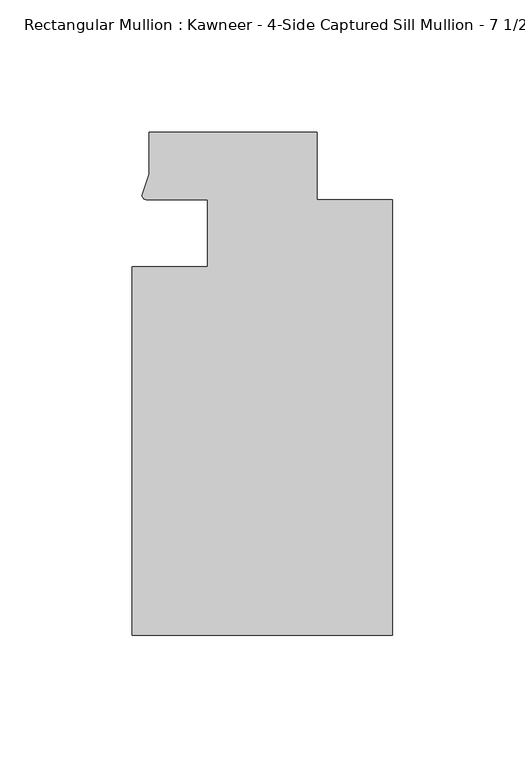
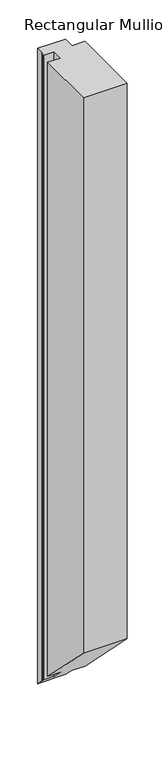
"""IFC4 building model written with IfcOpenShell, lengths in millimetres: member geometry."""

from ifc_helpers import new_model, si_unit, frame, origin, place, context, project, spatial, circle_curve, ellipse_curve, source, transform, mapped, element, save
from ifc_brep_helpers import plane_surface, cylinder_surface, advanced_brep


def member_a1af198b(model_context):
    return source(origin(), model_context, "Body", "AdvancedBrep", [
        advanced_brep(
        [(-69.85, -12.7, 0.0), (-98.425, -12.7, 0.0), (-98.425, -151.892, 0.0), (0.0, -151.892, 0.0), (0.0, 12.7, 0.0), (-28.575, 12.7, 0.0), (-28.575, 38.1, 0.0), (-92.075, 38.1, 0.0), (-92.075, 22.2250977, 0.0), (-94.7258552, 14.2884292, 0.0), (-93.1091288, 12.700061, 0.0), (-69.85, 12.700061, 0.0), (-69.85, -12.7, -1462.9865391), (-98.425, -12.7, -1462.9865391), (-98.425, -151.892, -1323.7945391), (0.0, -151.892, -1323.7945391), (0.0, 12.7, -1488.3865391), (-28.575, 12.7, -1488.3865391), (-28.575, 38.1, -1513.7865391), (-92.075, 38.1, -1513.7865391), (-92.075, 22.2250977, -1497.9116368), (-94.7258552, 14.2884292, -1489.9749683), (-93.1091288, 12.700061, -1488.3866001), (-69.85, 12.700061, -1488.3866001)],
        [
            (0, 1),
            (1, 2),
            (2, 3),
            (3, 4),
            (4, 5),
            (5, 6),
            (6, 7),
            (7, 8),
            (8, 9),
            (9, 10, circle_curve(frame((-93.0262373, 14.401412, 0.0), z_axis=(0.0, 0.0, 1.0), x_axis=(-0.04866327869705179, -0.9988152408260765, 0.0)), 1.703369)),
            (10, 11),
            (11, 0),
            (0, 12),
            (12, 13),
            (13, 1),
            (13, 14),
            (14, 2),
            (14, 15),
            (15, 3),
            (15, 16),
            (16, 4),
            (16, 17),
            (17, 5),
            (17, 18),
            (18, 6),
            (18, 19),
            (19, 7),
            (19, 20),
            (20, 8),
            (20, 21),
            (21, 9),
            (21, 22, ellipse_curve(frame((-93.0262373, 14.401412, -1490.0879511), z_axis=(0.0, 0.707106781186548, 0.707106781186547), x_axis=(0.0, -0.707106781186547, 0.707106781186548)), 2.4089276, 1.703369)),
            (22, 10),
            (22, 23),
            (23, 11),
            (23, 12),
        ],
        [
            plane_surface(frame((0.0, -180.9935366, 0.0), z_axis=(0.0, 0.0, 1.0), x_axis=(-1.0, 0.0, 0.0))),
            plane_surface(frame((-69.85, -12.7, 0.0), z_axis=(0.0, 1.0, 0.0), x_axis=(0.0, 0.0, -1.0))),
            plane_surface(frame((-98.425, -12.7, 0.0), z_axis=(-1.0, 0.0, 0.0), x_axis=(0.0, 0.0, -1.0))),
            plane_surface(frame((-98.425, -151.892, 0.0), z_axis=(0.0, -1.0, 0.0), x_axis=(0.0, 0.0, -1.0))),
            plane_surface(frame((0.0, -151.892, 0.0), z_axis=(1.0, 0.0, 0.0), x_axis=(0.0, 0.0, -1.0))),
            plane_surface(frame((0.0, 12.7, 0.0), z_axis=(0.0, 1.0, 0.0), x_axis=(0.0, 0.0, -1.0))),
            plane_surface(frame((-28.575, 12.7, 0.0), z_axis=(1.0, 0.0, 0.0), x_axis=(0.0, 0.0, -1.0))),
            plane_surface(frame((-28.575, 38.1, 0.0), z_axis=(0.0, 1.0, 0.0), x_axis=(0.0, 0.0, -1.0))),
            plane_surface(frame((-92.075, 38.1, 0.0), z_axis=(-1.0, 0.0, 0.0), x_axis=(0.0, 0.0, -1.0))),
            plane_surface(frame((-92.075, 22.2250977, 0.0), z_axis=(-0.9484931443165878, 0.3167976565324192, 0.0), x_axis=(0.0, 0.0, -1.0))),
            cylinder_surface(frame((-93.0262373, 14.401412, 0.0), z_axis=(0.0, 0.0, 1.0000000000000002), x_axis=(-0.04866327869705179, -0.9988152408260765, 0.0)), 1.703369),
            plane_surface(frame((-93.1091288, 12.700061, 0.0), z_axis=(0.0, -1.0, 0.0), x_axis=(0.0, 0.0, -1.0))),
            plane_surface(frame((-69.85, 12.700061, 0.0), z_axis=(-1.0, 0.0, 0.0), x_axis=(0.0, 0.0, -1.0))),
            plane_surface(frame((304.8, 0.0, -1475.6865391), z_axis=(0.0, -0.707106781186548, -0.707106781186547), x_axis=(0.0, -0.707106781186547, 0.707106781186548))),
        ],
        [
            (0, [[1, 2, 3, 4, 5, 6, 7, 8, 9, 10, 11, 12]]),
            (1, [[-1, 13, 14, 15]]),
            (2, [[-2, -15, 16, 17]]),
            (3, [[-3, -17, 18, 19]]),
            (4, [[-4, -19, 20, 21]]),
            (5, [[-5, -21, 22, 23]]),
            (6, [[-6, -23, 24, 25]]),
            (7, [[-7, -25, 26, 27]]),
            (8, [[-8, -27, 28, 29]]),
            (9, [[-9, -29, 30, 31]]),
            (10, [[-10, -31, 32, 33]]),
            (11, [[-11, -33, 34, 35]]),
            (12, [[-12, -35, 36, -13]]),
            (13, [[-36, -34, -32, -30, -28, -26, -24, -22, -20, -18, -16, -14]]),
        ],
    ),
    ])


if __name__ == "__main__":
    model = new_model("IFC4")
    model_context = context("Model", 3, world=origin())
    ifc_project = project(units=[si_unit("LENGTHUNIT", "METRE", prefix="MILLI")], contexts=[model_context])
    site = spatial("IfcSite", under=ifc_project)
    building = spatial("IfcBuilding", under=site)
    placement = place(None, origin())
    member_shape = member_a1af198b(model_context)
    element("IfcMember", 1, ObjectType="Rectangular Mullion : Kawneer - 4-Side Captured Sill Mullion - 7 1/2\"", at=placement, inside=building, context=model_context, shape_type="MappedRepresentation", body=[
        mapped(member_shape, transform((0.0, 0.0, 0.0), x_axis=(1.0, 0.0, 0.0), y_axis=(0.0, 1.0, 0.0), z_axis=(0.0, 0.0, 1.0))),
    ])
    save(model, "model.ifc")
